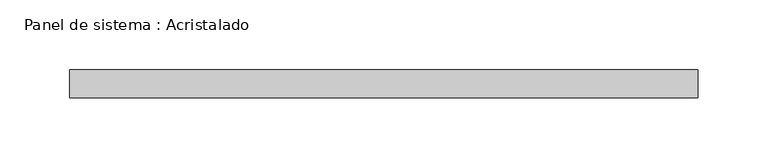
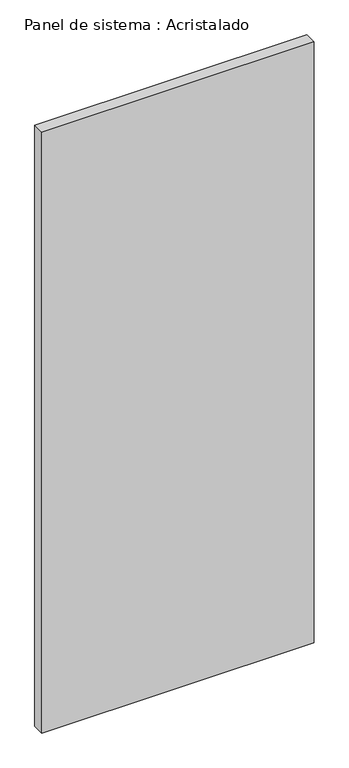
"""IFC4 building model written with IfcOpenShell, lengths in millimetres: plate geometry, Panel de sistema : Acristalado."""

from ifc_helpers import new_model, si_unit, origin, origin_with_axes, place, context, project, spatial, polyline, outline, extrude, source, transform, mapped, element, save


def panel_de_sistema_acristalado_1c524e35(model_context):
    return source(origin(), model_context, "Body", "SweptSolid", [
        extrude(outline(polyline([(225.0, -10.0), (-225.0, -10.0), (-225.0, 10.0), (225.0, 10.0), (225.0, -10.0)])), origin_with_axes(), (0.0, 0.0, 1.0), 1050.0),
    ])


if __name__ == "__main__":
    model = new_model("IFC4")
    model_context = context("Model", 3, world=origin())
    ifc_project = project(units=[si_unit("LENGTHUNIT", "METRE", prefix="MILLI")], contexts=[model_context])
    site = spatial("IfcSite", under=ifc_project)
    building = spatial("IfcBuilding", under=site)
    placement = place(None, origin())
    panel_de_sistema_acristalado_shape = panel_de_sistema_acristalado_1c524e35(model_context)
    element("IfcPlate", 1, ObjectType="Panel de sistema : Acristalado", at=placement, inside=building, context=model_context, shape_type="MappedRepresentation", body=[
        mapped(panel_de_sistema_acristalado_shape, transform((0.0, 0.0, 0.0), x_axis=(1.0, 0.0, 0.0), y_axis=(0.0, 1.0, 0.0), z_axis=(0.0, 0.0, 1.0))),
    ])
    save(model, "model.ifc")
